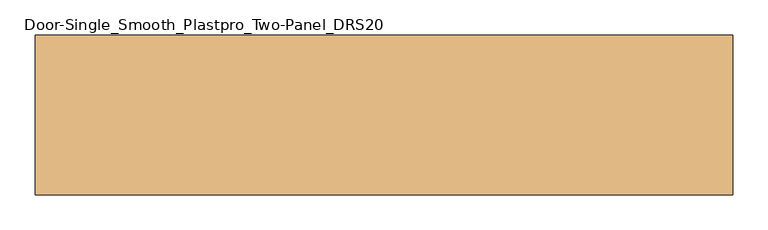
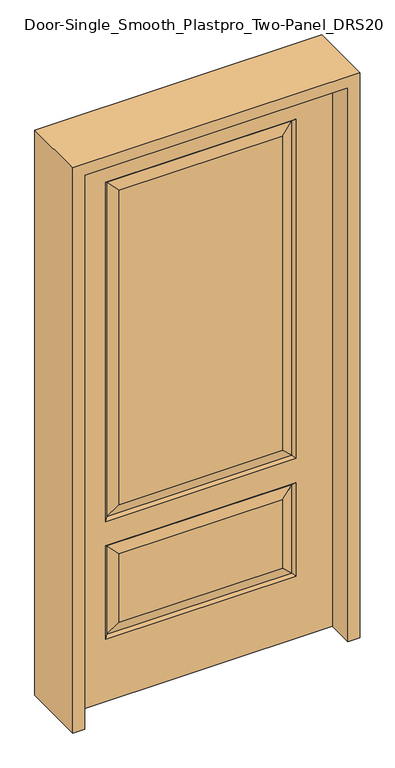
"""IFC4 building model written with IfcOpenShell, lengths in millimetres: door geometry, Door-Single_Smooth_Plastpro_Two-Panel_DRS20."""

from ifc_helpers import new_model, si_unit, frame, origin, place, context, project, spatial, polyline, outline, extrude, faceted_brep, source, transform, mapped, element, save


def door_single_smooth_plastpro_two_panel_drs20_84c01e48(model_context):
    return source(origin(), model_context, "Body", "SolidModel", [
        faceted_brep([(457.2, 20.6375, 0.0), (457.2, -20.6375, 0.0), (-457.2, -20.6375, 0.0), (-457.2, 20.6375, 0.0), (457.2, 20.6375, 2032.0), (457.2, -20.6375, 2032.0), (-284.1625, -20.6375, 706.4375), (284.1625, -20.6375, 706.4375), (284.1625, -20.6375, 1858.9625), (-284.1625, -20.6375, 1858.9625), (-284.1625, -20.6375, 274.6375), (284.1625, -20.6375, 274.6375), (284.1625, -20.6375, 525.4625), (-284.1625, -20.6375, 525.4625), (-457.2, -20.6375, 2032.0), (330.2, -20.6375, 660.4), (-330.2, -20.6375, 660.4), (-330.2, -20.6375, 1905.0), (330.2, -20.6375, 1905.0), (330.2, -20.6375, 228.6), (-330.2, -20.6375, 228.6), (-330.2, -20.6375, 571.5), (330.2, -20.6375, 571.5), (-457.2, 20.6375, 2032.0), (-284.1625, 20.6375, 525.4625), (284.1625, 20.6375, 525.4625), (284.1625, 20.6375, 274.6375), (-284.1625, 20.6375, 274.6375), (-284.1625, 20.6375, 1858.9625), (284.1625, 20.6375, 1858.9625), (284.1625, 20.6375, 706.4375), (-284.1625, 20.6375, 706.4375), (330.2, 20.6375, 571.5), (-330.2, 20.6375, 571.5), (-330.2, 20.6375, 228.6), (330.2, 20.6375, 228.6), (330.2, 20.6375, 1905.0), (-330.2, 20.6375, 1905.0), (-330.2, 20.6375, 660.4), (330.2, 20.6375, 660.4), (-321.2197439, 11.6572439, 1896.0197439), (-321.2197439, 11.6572439, 669.3802561), (321.2197439, 11.6572439, 669.3802561), (321.2197439, 11.6572439, 1896.0197439), (321.2197439, 11.6572439, 562.5197439), (-321.2197439, 11.6572439, 562.5197439), (-321.2197439, 11.6572439, 237.5802561), (321.2197439, 11.6572439, 237.5802561), (321.2197439, -11.6572439, 669.3802561), (-321.2197439, -11.6572439, 669.3802561), (-321.2197439, -11.6572439, 1896.0197439), (321.2197439, -11.6572439, 1896.0197439), (321.2197439, -11.6572439, 237.5802561), (-321.2197439, -11.6572439, 237.5802561), (-321.2197439, -11.6572439, 562.5197439), (321.2197439, -11.6572439, 562.5197439)], [[[0, 1, 2, 3]], [[4, 5, 1, 0]], [[6, 7, 8, 9]], [[10, 11, 12, 13]], [[5, 14, 2, 1], [15, 16, 17, 18], [19, 20, 21, 22]], [[14, 23, 3, 2]], [[24, 25, 26, 27]], [[28, 29, 30, 31]], [[23, 4, 0, 3], [32, 33, 34, 35], [36, 37, 38, 39]], [[37, 40, 41, 38]], [[38, 41, 42, 39]], [[43, 36, 39, 42]], [[29, 43, 42, 30]], [[41, 31, 30, 42]], [[40, 28, 31, 41]], [[44, 45, 33, 32]], [[33, 45, 46, 34]], [[34, 46, 47, 35]], [[44, 32, 35, 47]], [[45, 44, 25, 24]], [[25, 44, 47, 26]], [[46, 27, 26, 47]], [[45, 24, 27, 46]], [[48, 49, 16, 15]], [[16, 49, 50, 17]], [[48, 15, 18, 51]], [[49, 48, 7, 6]], [[7, 48, 51, 8]], [[49, 6, 9, 50]], [[52, 53, 20, 19]], [[20, 53, 54, 21]], [[21, 54, 55, 22]], [[52, 19, 22, 55]], [[53, 52, 11, 10]], [[11, 52, 55, 12]], [[54, 13, 12, 55]], [[53, 10, 13, 54]], [[4, 23, 14, 5]], [[17, 50, 51, 18]], [[50, 9, 8, 51]], [[43, 40, 37, 36]], [[40, 43, 29, 28]]]),
        extrude(outline(polyline([(2073.275, -498.475), (0.0, -498.475), (0.0, -457.2), (2032.0, -457.2), (2032.0, 457.2), (0.0, 457.2), (0.0, 498.475), (2073.275, 498.475), (2073.275, -498.475)])), frame((0.0, -114.3, 0.0), z_axis=(0.0, 1.0, 0.0), x_axis=(0.0, 0.0, 1.0)), (0.0, 0.0, 1.0), 228.6),
    ])


if __name__ == "__main__":
    model = new_model("IFC4")
    model_context = context("Model", 3, world=origin())
    ifc_project = project(units=[si_unit("LENGTHUNIT", "METRE", prefix="MILLI")], contexts=[model_context])
    site = spatial("IfcSite", under=ifc_project)
    building = spatial("IfcBuilding", under=site)
    placement = place(None, origin())
    door_single_smooth_plastpro_two_panel_drs20_shape = door_single_smooth_plastpro_two_panel_drs20_84c01e48(model_context)
    element("IfcDoor", 1, ObjectType="Door-Single_Smooth_Plastpro_Two-Panel_DRS20", at=placement, inside=building, context=model_context, shape_type="MappedRepresentation", body=[
        mapped(door_single_smooth_plastpro_two_panel_drs20_shape, transform((0.0, 0.0, 0.0), x_axis=(1.0, 0.0, 0.0), y_axis=(0.0, 1.0, 0.0), z_axis=(0.0, 0.0, 1.0))),
    ])
    save(model, "model.ifc")
